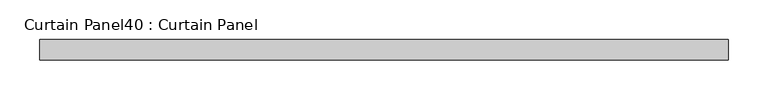
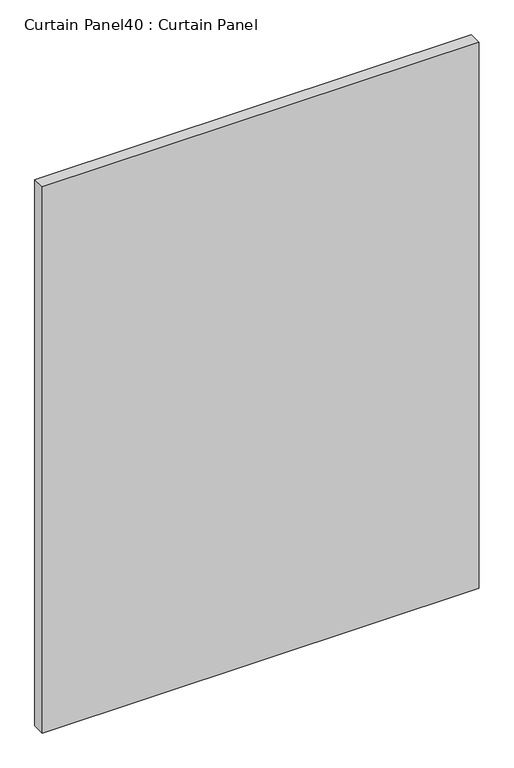
"""IFC4 building model written with IfcOpenShell, lengths in millimetres: plate geometry, Curtain Panel40 : Curtain Panel."""

from ifc_helpers import new_model, si_unit, frame, origin, place, context, project, spatial, polyline, outline, extrude, source, transform, mapped, element, save


def curtain_panel40_curtain_panel_a6b38cbd(model_context):
    return source(origin(), model_context, "Body", "SweptSolid", [
        extrude(outline(polyline([(-34433.7763097, -1283.4463534), (-35297.5659275, -1283.4463534), (-35297.5659275, -1258.0463534), (-34433.7763097, -1258.0463534), (-34433.7763097, -1283.4463534)])), frame((0.0, 0.0, 2447.925), z_axis=(0.0, 0.0, 1.0), x_axis=(1.0, 0.0, 0.0)), (0.0, 0.0, 1.0), 1141.8462759),
    ])


if __name__ == "__main__":
    model = new_model("IFC4")
    model_context = context("Model", 3, world=origin())
    ifc_project = project(units=[si_unit("LENGTHUNIT", "METRE", prefix="MILLI")], contexts=[model_context])
    site = spatial("IfcSite", under=ifc_project)
    building = spatial("IfcBuilding", under=site)
    placement = place(None, origin())
    curtain_panel40_curtain_panel_shape = curtain_panel40_curtain_panel_a6b38cbd(model_context)
    element("IfcPlate", 1, ObjectType="Curtain Panel40 : Curtain Panel", at=placement, inside=building, context=model_context, shape_type="MappedRepresentation", body=[
        mapped(curtain_panel40_curtain_panel_shape, transform((0.0, 0.0, 0.0), x_axis=(1.0, 0.0, 0.0), y_axis=(0.0, 1.0, 0.0), z_axis=(0.0, 0.0, 1.0))),
    ])
    save(model, "model.ifc")
